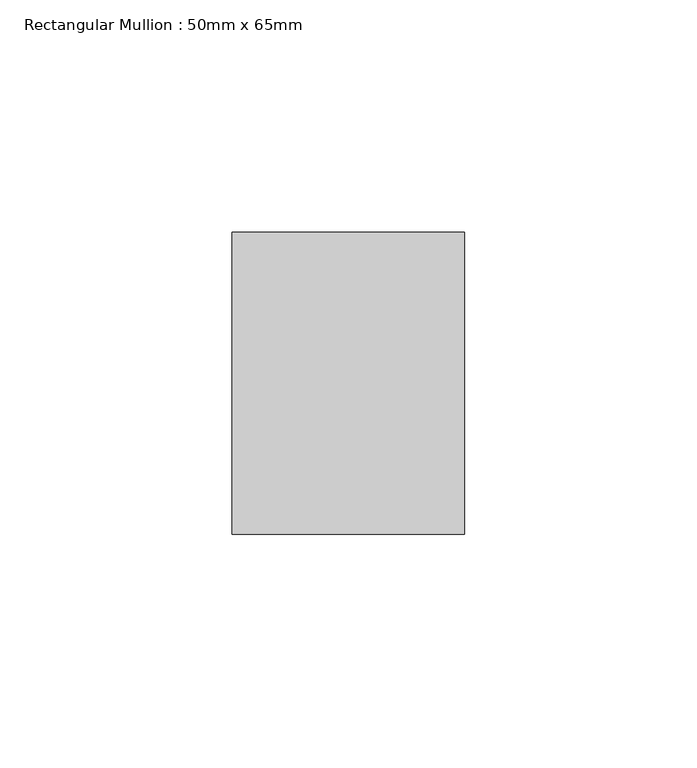
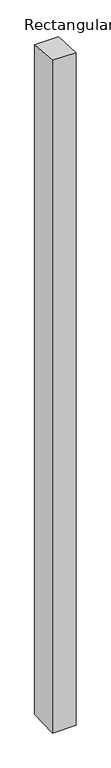
"""IFC4 building model written with IfcOpenShell, lengths in millimetres: member geometry, Rectangular Mullion : 50mm x 65mm."""

from ifc_helpers import new_model, si_unit, origin, place, context, project, spatial, faceted_brep, source, transform, mapped, element, save


def rectangular_mullion_50mm_x_65mm_1db13d2e(model_context):
    return source(origin(), model_context, "Body", "Brep", [
        faceted_brep([(-25.0, 32.5, -2.1659771), (25.0, 32.5, -2.1659783), (25.0, 32.5, -1498.7588442), (-25.0, 32.5, -1498.7588449), (-25.0, -32.5, 2.1659783), (-25.0, -32.5, -1501.2410274), (25.0, -32.5, 2.1659771), (25.0, -32.5, -1501.2410267)], [[[0, 1, 2, 3]], [[4, 0, 3, 5]], [[6, 4, 5, 7]], [[1, 6, 7, 2]], [[1, 0, 4, 6]], [[2, 7, 5, 3]]]),
    ])


if __name__ == "__main__":
    model = new_model("IFC4")
    model_context = context("Model", 3, world=origin())
    ifc_project = project(units=[si_unit("LENGTHUNIT", "METRE", prefix="MILLI")], contexts=[model_context])
    site = spatial("IfcSite", under=ifc_project)
    building = spatial("IfcBuilding", under=site)
    placement = place(None, origin())
    rectangular_mullion_50mm_x_65mm_shape = rectangular_mullion_50mm_x_65mm_1db13d2e(model_context)
    element("IfcMember", 1, ObjectType="Rectangular Mullion : 50mm x 65mm", at=placement, inside=building, context=model_context, shape_type="MappedRepresentation", body=[
        mapped(rectangular_mullion_50mm_x_65mm_shape, transform((0.0, 0.0, 0.0), x_axis=(1.0, 0.0, 0.0), y_axis=(0.0, 1.0, 0.0), z_axis=(0.0, 0.0, 1.0))),
    ])
    save(model, "model.ifc")
